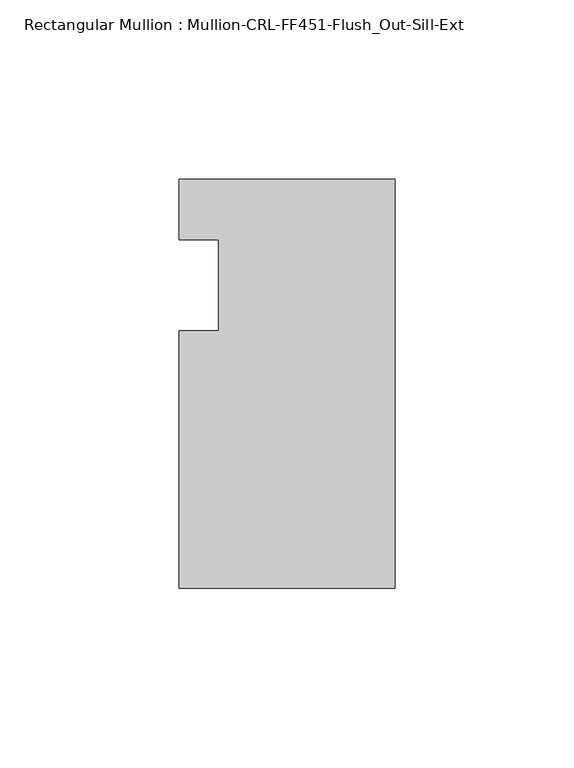
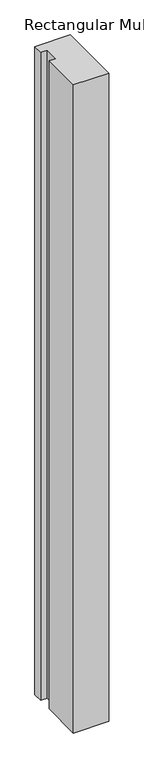
"""IFC4 building model written with IfcOpenShell, lengths in millimetres: member geometry, Rectangular Mullion : Mullion-CRL-FF451-Flush_Out-Sill-Ext."""

import ifcopenshell
import ifcopenshell.guid

model = None  # the IFC model being written
_history = None  # IfcOwnerHistory: only IFC2X3 demands one
_inside = {}  # id of a spatial element -> (the spatial element, [elements in it])
_under = {}  # id of a project, library or spatial element -> (it, [spatial elements below it])
_declared = {}  # id of a project -> (the project, [libraries it declares])
_typed = {}  # id of a type object -> (the type object, [elements of that type])
_made_of = {}  # id of a material, layer set ... -> (it, [elements and type objects made of it])


def new_model(schema):
    """Start an empty IFC model of exactly this schema.

    Asked for "IFC4X3", IfcOpenShell would pick the latest addendum, in which some entities
    have other attributes; the version numbers below select the first issue.
    IFC2X3 requires an IfcOwnerHistory on every rooted entity: one is made here for all.
    """
    global model, _history
    if schema == "IFC4X3":
        model = ifcopenshell.file(schema_version=(4, 3, 0, 0))
    else:
        model = ifcopenshell.file(schema=schema)
    _inside.clear()
    _under.clear()
    _declared.clear()
    _typed.clear()
    _made_of.clear()
    _history = None
    if model.schema == "IFC2X3":
        org = make("IfcOrganization", Name="unknown")
        user = make(
            "IfcPersonAndOrganization",
            ThePerson=make("IfcPerson", FamilyName="unknown"),
            TheOrganization=org,
        )
        app = make(
            "IfcApplication",
            ApplicationDeveloper=org,
            Version="unknown",
            ApplicationFullName="unknown",
            ApplicationIdentifier="unknown",
        )
        _history = make(
            "IfcOwnerHistory",
            OwningUser=user,
            OwningApplication=app,
            ChangeAction="ADDED",
            CreationDate=0,
        )
    return model


def make(cls, **values):
    """One entity of the class cls with the attributes given. An attribute that is None is left unset."""
    return model.create_entity(
        cls, **{name: value for name, value in values.items() if value is not None}
    )


def rooted(cls, **values):
    """An entity with a GlobalId (a new one), such as an element, a storey or a relation."""
    return make(cls, GlobalId=ifcopenshell.guid.new(), OwnerHistory=_history, **values)


def si_unit(unit_type, name, prefix=None):
    """IfcSIUnit, for example si_unit("LENGTHUNIT", "METRE", prefix="MILLI")."""
    return make("IfcSIUnit", UnitType=unit_type, Prefix=prefix, Name=name)


def assignment(units):
    """IfcUnitAssignment: the units of a project."""
    return None if units is None else make("IfcUnitAssignment", Units=units)


def point(xyz):
    """IfcCartesianPoint."""
    return None if xyz is None else make("IfcCartesianPoint", Coordinates=xyz)


def direction(xyz):
    """IfcDirection."""
    return None if xyz is None else make("IfcDirection", DirectionRatios=xyz)


def frame(location, z_axis=None, x_axis=None):
    """IfcAxis2Placement3D, a coordinate frame: its origin and axes. An axis left out is left unset."""
    return make(
        "IfcAxis2Placement3D",
        Location=point(location),
        Axis=direction(z_axis),
        RefDirection=direction(x_axis),
    )


def origin():
    """The frame at (0, 0, 0) with its axes left unset."""
    return frame((0.0, 0.0, 0.0))


def place(relative_to, where):
    """IfcLocalPlacement: puts the frame where relative to a parent placement (None: the world)."""
    return make(
        "IfcLocalPlacement", PlacementRelTo=relative_to, RelativePlacement=where
    )


def context(
    kind, dimensions, precision=None, world=None, true_north=None, identifier=None
):
    """IfcGeometricRepresentationContext, for example the 3D "Model" context."""
    return make(
        "IfcGeometricRepresentationContext",
        ContextIdentifier=identifier,
        ContextType=kind,
        CoordinateSpaceDimension=dimensions,
        Precision=precision,
        WorldCoordinateSystem=world,
        TrueNorth=true_north,
    )


def project(units=None, contexts=None):
    """IfcProject with its units and contexts."""
    return rooted(
        "IfcProject",
        Name="project",
        RepresentationContexts=contexts,
        UnitsInContext=assignment(units),
    )


def spatial(cls, under=None, at=None, **own):
    """A site, building, storey or space (cls), placed at a placement, below another one or the project."""
    s = rooted(cls, ObjectPlacement=at, **own)
    if under is not None:
        _under.setdefault(under.id(), (under, []))[1].append(s)
    return s


def polyline(points):
    """IfcPolyline through the points."""
    return make("IfcPolyline", Points=[point(p) for p in points])


def outline(outer, holes=None, kind="AREA"):
    """IfcArbitraryClosedProfileDef: a profile drawn as a closed curve; with holes, ...WithVoids."""
    if holes is None:
        return make("IfcArbitraryClosedProfileDef", ProfileType=kind, OuterCurve=outer)
    return make(
        "IfcArbitraryProfileDefWithVoids",
        ProfileType=kind,
        OuterCurve=outer,
        InnerCurves=holes,
    )


def extrude(swept, where, along, depth):
    """IfcExtrudedAreaSolid: the profile swept, set in the frame where, extruded along a direction by depth."""
    return make(
        "IfcExtrudedAreaSolid",
        SweptArea=swept,
        Position=where,
        ExtrudedDirection=direction(along),
        Depth=depth,
    )


def shape(context_of_items, identifier, shape_type, items):
    """IfcShapeRepresentation: the items that make up one representation, for example the "Body"."""
    return make(
        "IfcShapeRepresentation",
        ContextOfItems=context_of_items,
        RepresentationIdentifier=identifier,
        RepresentationType=shape_type,
        Items=items,
    )


def source(mapping_origin, context_of_items, identifier, shape_type, items):
    """IfcRepresentationMap: a shape defined once, which mapped items show again and again."""
    return make(
        "IfcRepresentationMap",
        MappingOrigin=mapping_origin,
        MappedRepresentation=shape(context_of_items, identifier, shape_type, items),
    )


def transform(
    local_origin,
    x_axis=None,
    y_axis=None,
    z_axis=None,
    scale=None,
    scale2=None,
    scale3=None,
    uniform=True,
):
    """IfcCartesianTransformationOperator3D, or its non-uniform kind. x_axis, y_axis, z_axis: its Axis1, 2, 3."""
    if uniform:
        return make(
            "IfcCartesianTransformationOperator3D",
            Axis1=direction(x_axis),
            Axis2=direction(y_axis),
            LocalOrigin=point(local_origin),
            Scale=scale,
            Axis3=direction(z_axis),
        )
    return make(
        "IfcCartesianTransformationOperator3DnonUniform",
        Axis1=direction(x_axis),
        Axis2=direction(y_axis),
        LocalOrigin=point(local_origin),
        Scale=scale,
        Axis3=direction(z_axis),
        Scale2=scale2,
        Scale3=scale3,
    )


def mapped(mapping_source, mapping_target):
    """IfcMappedItem: shows the shape of a source again, moved by a transform."""
    return make(
        "IfcMappedItem", MappingSource=mapping_source, MappingTarget=mapping_target
    )


def made_of(thing, what):
    """Note that an element or type object is made of a material, layer set ...; save() writes the relation."""
    if what is not None:
        _made_of.setdefault(what.id(), (what, []))[1].append(thing)
    return thing


def element(
    cls,
    number,
    at=None,
    inside=None,
    cuts=None,
    type_object=None,
    material=None,
    context=None,
    identifier="Body",
    shape_type=None,
    held_by="IfcProductDefinitionShape",
    body=None,
    shapes=None,
    **own,
):
    """One element of the class cls, such as IfcWall. Its Tag is "e" and its number.

    at: its placement. inside: the storey or other place that contains it. cuts: it is an
    opening in that element (IfcRelVoidsElement). A single representation is given by context,
    identifier, shape_type and body (its items); several are given by shapes. held_by: the class
    of the entity that holds the representations. save() writes the other relations.
    """
    e = rooted(cls, Tag="e%d" % number, ObjectPlacement=at, **own)
    if body is not None:
        shapes = [shape(context, identifier, shape_type, body)]
    if shapes is not None:
        e.Representation = make(held_by, Representations=shapes)
    if inside is not None:
        _inside.setdefault(inside.id(), (inside, []))[1].append(e)
    if cuts is not None:
        rooted(
            "IfcRelVoidsElement", RelatingBuildingElement=cuts, RelatedOpeningElement=e
        )
    if type_object is not None:
        _typed.setdefault(type_object.id(), (type_object, []))[1].append(e)
    return made_of(e, material)


def aggregate(whole, parts):
    """IfcRelAggregates: a whole, such as a stair, and the parts it consists of."""
    return rooted("IfcRelAggregates", RelatingObject=whole, RelatedObjects=parts)


def save(model, path):
    """Write the relations noted so far, then the file.

    IfcRelAggregates (storeys below a building ...), IfcRelContainedInSpatialStructure (elements
    in a storey), IfcRelDefinesByType, IfcRelAssociatesMaterial and IfcRelDeclares: one each for
    every whole, place, type object, material and project.
    """
    for whole, parts in _under.values():
        aggregate(whole, parts)
    for where, things in _inside.values():
        rooted(
            "IfcRelContainedInSpatialStructure",
            RelatedElements=things,
            RelatingStructure=where,
        )
    for kind, things in _typed.values():
        rooted("IfcRelDefinesByType", RelatedObjects=things, RelatingType=kind)
    for what, things in _made_of.values():
        rooted("IfcRelAssociatesMaterial", RelatedObjects=things, RelatingMaterial=what)
    for by, libraries in _declared.values():
        rooted("IfcRelDeclares", RelatingContext=by, RelatedDefinitions=libraries)
    model.write(path)


def rectangular_mullion_mullion_crl_ff451_flush_out_sill_ext_fd21e8dc(model_context):
    return source(origin(), model_context, "Body", "SweptSolid", [
        extrude(outline(polyline([(-60.325, -84.6650108), (-60.325, -12.7), (-49.222241, -12.7), (-49.222241, 12.7), (-60.325, 12.7), (-60.325, 29.6349892), (0.0, 29.6349892), (0.0, -84.6650108), (-60.325, -84.6650108)])), frame((0.0, 0.0, -1173.6881491), z_axis=(0.0, 0.0, 1.0), x_axis=(1.0, 0.0, 0.0)), (0.0, 0.0, 1.0), 1173.6881491),
    ])


if __name__ == "__main__":
    model = new_model("IFC4")
    model_context = context("Model", 3, world=origin())
    ifc_project = project(units=[si_unit("LENGTHUNIT", "METRE", prefix="MILLI")], contexts=[model_context])
    site = spatial("IfcSite", under=ifc_project)
    building = spatial("IfcBuilding", under=site)
    placement = place(None, origin())
    rectangular_mullion_mullion_crl_ff451_flush_out_sill_ext_shape = rectangular_mullion_mullion_crl_ff451_flush_out_sill_ext_fd21e8dc(model_context)
    element("IfcMember", 1, ObjectType="Rectangular Mullion : Mullion-CRL-FF451-Flush_Out-Sill-Ext", at=placement, inside=building, context=model_context, shape_type="MappedRepresentation", body=[
        mapped(rectangular_mullion_mullion_crl_ff451_flush_out_sill_ext_shape, transform((0.0, 0.0, 0.0), x_axis=(1.0, 0.0, 0.0), y_axis=(0.0, 1.0, 0.0), z_axis=(0.0, 0.0, 1.0))),
    ])
    save(model, "model.ifc")
